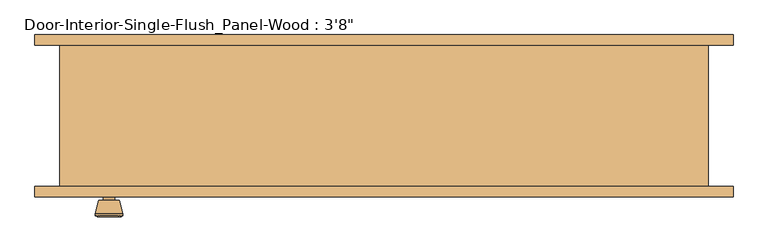
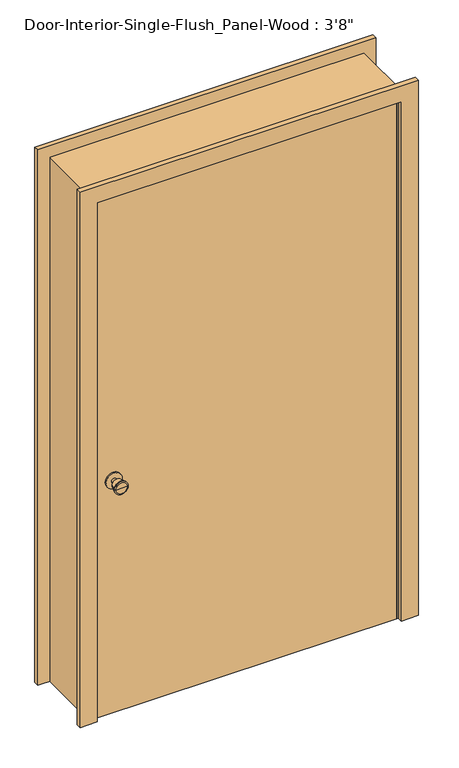
"""IFC4 building model written with IfcOpenShell, lengths in millimetres: door geometry."""

from ifc_helpers import new_model, si_unit, point, frame, frame_2d, origin, origin_with_axes, place, context, project, spatial, polyline, circle_curve, trimmed, segment, composite_curve, outline, extrude, faceted_brep, source, transform, mapped, element, save
from ifc_brep_helpers import plane_surface, cylinder_surface, revolved_surface, advanced_brep


def door_df4908d5(model_context):
    return source(origin(), model_context, "Body", "SolidModel", [
        advanced_brep(
        [(-495.3, -82.9, 914.4), (-505.3, -82.9, 914.4), (-485.3, -82.9, 914.4), (-474.8241324, -33.9, 914.4), (-515.7758676, -33.9, 914.4), (-495.3, -33.9, 914.4), (-470.3, -35.7278681, 914.4), (-520.3, -35.7278681, 914.4), (-470.3, -39.1915463, 914.4), (-520.3, -39.1915463, 914.4), (-476.663764, -63.9, 914.4), (-513.936236, -63.9, 914.4), (-485.3, -63.9, 914.4), (-505.3, -63.9, 914.4)],
        [
            (0, 1),
            (1, 2, circle_curve(frame((-495.3, -82.9, 914.4), z_axis=(0.0, -1.0, 0.0), x_axis=(-1.0, 0.0, 0.0)), 10.0)),
            (2, 0),
            (2, 1, circle_curve(frame((-495.3, -82.9, 914.4), z_axis=(0.0, -1.0, 0.0), x_axis=(-1.0, 0.0, 0.0)), 10.0)),
            (3, 4, circle_curve(frame((-495.3, -33.9, 914.4), z_axis=(0.0, 1.0, 0.0), x_axis=(-1.0, 0.0, 0.0)), 20.4758676)),
            (4, 5),
            (5, 3),
            (4, 3, circle_curve(frame((-495.3, -33.9, 914.4), z_axis=(0.0, 1.0, 0.0), x_axis=(-1.0, 0.0, 0.0)), 20.4758676)),
            (6, 7, circle_curve(frame((-495.3, -35.7278681, 914.4), z_axis=(0.0, 1.0, 0.0), x_axis=(-1.0, 0.0, 0.0)), 25.0)),
            (7, 4),
            (3, 6),
            (7, 6, circle_curve(frame((-495.3, -35.7278681, 914.4), z_axis=(0.0, 1.0, 0.0), x_axis=(-1.0, 0.0, 0.0)), 25.0)),
            (8, 9, circle_curve(frame((-495.3, -39.1915463, 914.4), z_axis=(0.0, 1.0, 0.0), x_axis=(-1.0, 0.0, 0.0)), 25.0)),
            (9, 7),
            (6, 8),
            (9, 8, circle_curve(frame((-495.3, -39.1915463, 914.4), z_axis=(0.0, 1.0, 0.0), x_axis=(-1.0, 0.0, 0.0)), 25.0)),
            (10, 11, circle_curve(frame((-495.3, -63.9, 914.4), z_axis=(0.0, 1.0, 0.0), x_axis=(-1.0, 0.0, 0.0)), 18.636236)),
            (11, 9),
            (8, 10),
            (11, 10, circle_curve(frame((-495.3, -63.9, 914.4), z_axis=(0.0, 1.0, 0.0), x_axis=(-1.0, 0.0, 0.0)), 18.636236)),
            (12, 13, circle_curve(frame((-495.3, -63.9, 914.4), z_axis=(0.0, 1.0, 0.0), x_axis=(-1.0, 0.0, 0.0)), 10.0)),
            (13, 11),
            (10, 12),
            (13, 12, circle_curve(frame((-495.3, -63.9, 914.4), z_axis=(0.0, 1.0, 0.0), x_axis=(-1.0, 0.0, 0.0)), 10.0)),
            (1, 13),
            (12, 2),
        ],
        [
            plane_surface(frame((-495.3, -82.9, 914.4), z_axis=(0.0, -1.0, 0.0), x_axis=(-1.0, 0.0, 0.0))),
            plane_surface(frame((-495.3, -33.9, 914.4), z_axis=(0.0, 1.0, 0.0), x_axis=(-1.0, 0.0, 0.0))),
            revolved_surface(polyline([(-515.7758676, -33.9, 914.4), (-520.3, -35.7278681, 914.4)]), (-495.3, -82.9, 914.4), (0.0, -1.0, 0.0)),
            cylinder_surface(frame((-495.3, -82.9, 914.4), z_axis=(0.0, -1.0, 0.0), x_axis=(-1.0, 0.0, 0.0)), 25.0),
            revolved_surface(polyline([(-520.3, -39.1915463, 914.4), (-513.936236, -63.9, 914.4)]), (-495.3, -82.9, 914.4), (0.0, -1.0, 0.0)),
            plane_surface(frame((-495.3, -63.9, 914.4), z_axis=(0.0, -1.0, 0.0), x_axis=(-1.0, 0.0, 0.0))),
            cylinder_surface(frame((-495.3, -82.9, 914.4), z_axis=(0.0, -1.0, 0.0), x_axis=(-1.0, 0.0, 0.0)), 10.0),
        ],
        [
            (0, [[1, 2, 3]]),
            (0, [[-3, 4, -1]]),
            (1, [[5, 6, 7]]),
            (1, [[8, -7, -6]]),
            (2, [[9, 10, -5, 11]]),
            (2, [[12, -11, -8, -10]]),
            (3, [[13, 14, -9, 15]]),
            (3, [[16, -15, -12, -14]]),
            (4, [[17, 18, -13, 19]]),
            (4, [[20, -19, -16, -18]]),
            (5, [[21, 22, -17, 23]]),
            (5, [[24, -23, -20, -22]]),
            (6, [[-2, 25, -21, 26]]),
            (6, [[-4, -26, -24, -25]]),
        ],
    ),
        extrude(outline(composite_curve([segment(trimmed(circle_curve(frame_2d((914.4, -495.3)), 30.0), [point((914.4, -525.3))], [point((914.4, -465.3))], False, "CARTESIAN"), True, "CONTINUOUS"), segment(trimmed(circle_curve(frame_2d((914.4, -495.3)), 30.0), [point((914.4, -465.3))], [point((914.4, -525.3))], False, "CARTESIAN"), True, "CONTINUOUS")], self_intersect=False)), frame((0.0, -88.9, 0.0), z_axis=(0.0, 1.0, 0.0), x_axis=(0.0, 0.0, 1.0)), (0.0, 0.0, 1.0), 6.0),
        advanced_brep(
        [(-495.3, -129.825, 914.4), (-485.3, -129.825, 914.4), (-505.3, -129.825, 914.4), (-474.8241324, -178.825, 914.4), (-495.3, -178.825, 914.4), (-515.7758676, -178.825, 914.4), (-470.3, -176.9971319, 914.4), (-520.3, -176.9971319, 914.4), (-470.3, -173.5334537, 914.4), (-520.3, -173.5334537, 914.4), (-476.663764, -148.825, 914.4), (-513.936236, -148.825, 914.4), (-485.3, -148.825, 914.4), (-505.3, -148.825, 914.4)],
        [
            (0, 1),
            (1, 2, circle_curve(frame((-495.3, -129.825, 914.4), z_axis=(0.0, 1.0, 0.0), x_axis=(-1.0, 0.0, 0.0)), 10.0)),
            (2, 0),
            (2, 1, circle_curve(frame((-495.3, -129.825, 914.4), z_axis=(0.0, 1.0, 0.0), x_axis=(-1.0, 0.0, 0.0)), 10.0)),
            (3, 4),
            (4, 5),
            (5, 3, circle_curve(frame((-495.3, -178.825, 914.4), z_axis=(0.0, -1.0, 0.0), x_axis=(-1.0, 0.0, 0.0)), 20.4758676)),
            (3, 5, circle_curve(frame((-495.3, -178.825, 914.4), z_axis=(0.0, -1.0, 0.0), x_axis=(-1.0, 0.0, 0.0)), 20.4758676)),
            (6, 3),
            (5, 7),
            (7, 6, circle_curve(frame((-495.3, -176.9971319, 914.4), z_axis=(0.0, -1.0, 0.0), x_axis=(-1.0, 0.0, 0.0)), 25.0)),
            (6, 7, circle_curve(frame((-495.3, -176.9971319, 914.4), z_axis=(0.0, -1.0, 0.0), x_axis=(-1.0, 0.0, 0.0)), 25.0)),
            (8, 6),
            (7, 9),
            (9, 8, circle_curve(frame((-495.3, -173.5334537, 914.4), z_axis=(0.0, -1.0, 0.0), x_axis=(-1.0, 0.0, 0.0)), 25.0)),
            (8, 9, circle_curve(frame((-495.3, -173.5334537, 914.4), z_axis=(0.0, -1.0, 0.0), x_axis=(-1.0, 0.0, 0.0)), 25.0)),
            (10, 8),
            (9, 11),
            (11, 10, circle_curve(frame((-495.3, -148.825, 914.4), z_axis=(0.0, -1.0, 0.0), x_axis=(-1.0, 0.0, 0.0)), 18.636236)),
            (10, 11, circle_curve(frame((-495.3, -148.825, 914.4), z_axis=(0.0, -1.0, 0.0), x_axis=(-1.0, 0.0, 0.0)), 18.636236)),
            (12, 10),
            (11, 13),
            (13, 12, circle_curve(frame((-495.3, -148.825, 914.4), z_axis=(0.0, -1.0, 0.0), x_axis=(-1.0, 0.0, 0.0)), 10.0)),
            (12, 13, circle_curve(frame((-495.3, -148.825, 914.4), z_axis=(0.0, -1.0, 0.0), x_axis=(-1.0, 0.0, 0.0)), 10.0)),
            (1, 12),
            (13, 2),
        ],
        [
            plane_surface(frame((-495.3, -129.825, 914.4), z_axis=(0.0, 1.0, 0.0), x_axis=(-1.0, 0.0, 0.0))),
            plane_surface(frame((-495.3, -178.825, 914.4), z_axis=(0.0, -1.0, 0.0), x_axis=(-1.0, 0.0, 0.0))),
            revolved_surface(polyline([(-515.7758676, -178.825, 914.4), (-520.3, -176.9971319, 914.4)]), (-495.3, -129.825, 914.4), (0.0, 1.0, 0.0)),
            cylinder_surface(frame((-495.3, -129.825, 914.4), z_axis=(0.0, 1.0, 0.0), x_axis=(-1.0, 0.0, 0.0)), 25.0),
            revolved_surface(polyline([(-520.3, -173.5334537, 914.4), (-513.936236, -148.825, 914.4)]), (-495.3, -129.825, 914.4), (0.0, 1.0, 0.0)),
            plane_surface(frame((-495.3, -148.825, 914.4), z_axis=(0.0, 1.0, 0.0), x_axis=(-1.0, 0.0, 0.0))),
            cylinder_surface(frame((-495.3, -129.825, 914.4), z_axis=(0.0, 1.0, 0.0), x_axis=(-1.0, 0.0, 0.0)), 10.0),
        ],
        [
            (0, [[1, 2, 3]]),
            (0, [[-3, 4, -1]]),
            (1, [[5, 6, 7]]),
            (1, [[-6, -5, 8]]),
            (2, [[9, -7, 10, 11]]),
            (2, [[-10, -8, -9, 12]]),
            (3, [[13, -11, 14, 15]]),
            (3, [[-14, -12, -13, 16]]),
            (4, [[17, -15, 18, 19]]),
            (4, [[-18, -16, -17, 20]]),
            (5, [[21, -19, 22, 23]]),
            (5, [[-22, -20, -21, 24]]),
            (6, [[25, -23, 26, -2]]),
            (6, [[-26, -24, -25, -4]]),
        ],
    ),
        extrude(outline(composite_curve([segment(trimmed(circle_curve(frame_2d((914.4, -495.3)), 30.0), [point((914.4, -525.3))], [point((914.4, -465.3))], False, "CARTESIAN"), True, "CONTINUOUS"), segment(trimmed(circle_curve(frame_2d((914.4, -495.3)), 30.0), [point((914.4, -465.3))], [point((914.4, -525.3))], False, "CARTESIAN"), True, "CONTINUOUS")], self_intersect=False)), frame((0.0, -129.825, 0.0), z_axis=(0.0, 1.0, 0.0), x_axis=(0.0, 0.0, 1.0)), (0.0, 0.0, 1.0), 6.0),
        extrude(outline(polyline([(558.8, -88.9), (558.8, -123.825), (-558.8, -123.825), (-558.8, -88.9), (558.8, -88.9)])), origin_with_axes(), (0.0, 0.0, 1.0), 2032.0),
        faceted_brep([(584.2, -123.825, 0.0), (558.8, -123.825, 0.0), (558.8, -88.9, 0.0), (546.1, -88.9, 0.0), (546.1, -53.975, 0.0), (558.8, -53.975, 0.0), (558.8, 130.175, 0.0), (584.2, 130.175, 0.0), (584.2, 130.175, 2057.4), (584.2, -123.825, 2057.4), (558.8, 130.175, 2032.0), (-558.8, 130.175, 2032.0), (-558.8, 130.175, 0.0), (-584.2, 130.175, 0.0), (-584.2, 130.175, 2057.4), (558.8, -53.975, 2032.0), (546.1, -53.975, 2019.3), (-546.1, -53.975, 2019.3), (-546.1, -53.975, 0.0), (-558.8, -53.975, 0.0), (-558.8, -53.975, 2032.0), (546.1, -88.9, 2019.3), (558.8, -88.9, 2032.0), (-558.8, -88.9, 2032.0), (-558.8, -88.9, 0.0), (-546.1, -88.9, 0.0), (-546.1, -88.9, 2019.3), (558.8, -123.825, 2032.0), (-584.2, -123.825, 2057.4), (-584.2, -123.825, 0.0), (-558.8, -123.825, 0.0), (-558.8, -123.825, 2032.0)], [[[0, 1, 2, 3, 4, 5, 6, 7]], [[7, 8, 9, 0]], [[6, 10, 11, 12, 13, 14, 8, 7]], [[5, 15, 10, 6]], [[4, 16, 17, 18, 19, 20, 15, 5]], [[3, 21, 16, 4]], [[2, 22, 23, 24, 25, 26, 21, 3]], [[1, 27, 22, 2]], [[0, 9, 28, 29, 30, 31, 27, 1]], [[8, 14, 28, 9]], [[15, 20, 11, 10]], [[21, 26, 17, 16]], [[27, 31, 23, 22]], [[29, 13, 12, 19, 18, 25, 24, 30]], [[14, 13, 29, 28]], [[20, 19, 12, 11]], [[26, 25, 18, 17]], [[31, 30, 24, 23]]]),
        extrude(outline(polyline([(0.0, 628.65), (2101.85, 628.65), (2101.85, -628.65), (0.0, -628.65), (0.0, -565.15), (2038.35, -565.15), (2038.35, 565.15), (0.0, 565.15), (0.0, 628.65)])), frame((0.0, 130.175, 0.0), z_axis=(0.0, 1.0, 0.0), x_axis=(0.0, 0.0, 1.0)), (0.0, 0.0, 1.0), 19.05),
        extrude(outline(polyline([(0.0, 628.65), (2101.85, 628.65), (2101.85, -628.65), (0.0, -628.65), (0.0, -565.15), (2038.35, -565.15), (2038.35, 565.15), (0.0, 565.15), (0.0, 628.65)])), frame((0.0, -142.875, 0.0), z_axis=(0.0, 1.0, 0.0), x_axis=(0.0, 0.0, 1.0)), (0.0, 0.0, 1.0), 19.05),
    ])


if __name__ == "__main__":
    model = new_model("IFC4")
    model_context = context("Model", 3, world=origin())
    ifc_project = project(units=[si_unit("LENGTHUNIT", "METRE", prefix="MILLI")], contexts=[model_context])
    site = spatial("IfcSite", under=ifc_project)
    building = spatial("IfcBuilding", under=site)
    placement = place(None, origin())
    door_shape = door_df4908d5(model_context)
    element("IfcDoor", 1, ObjectType="Door-Interior-Single-Flush_Panel-Wood : 3'8\"", at=placement, inside=building, context=model_context, shape_type="MappedRepresentation", body=[
        mapped(door_shape, transform((0.0, 0.0, 0.0), x_axis=(1.0, 0.0, 0.0), y_axis=(0.0, 1.0, 0.0), z_axis=(0.0, 0.0, 1.0))),
    ])
    save(model, "model.ifc")
